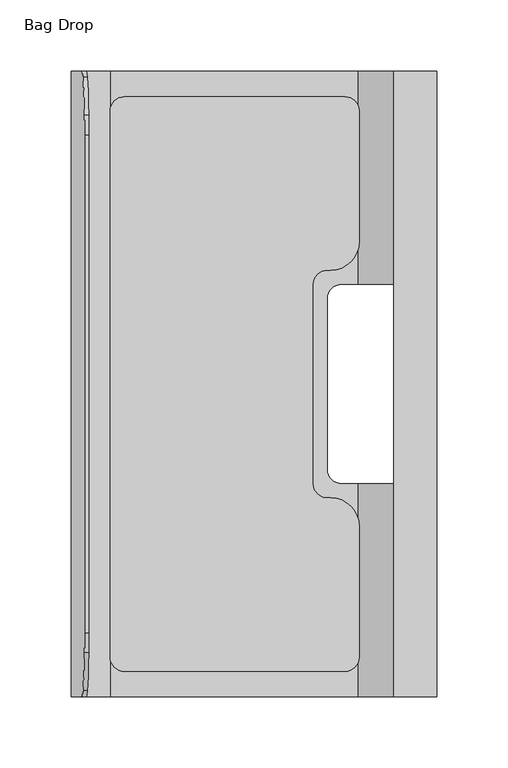
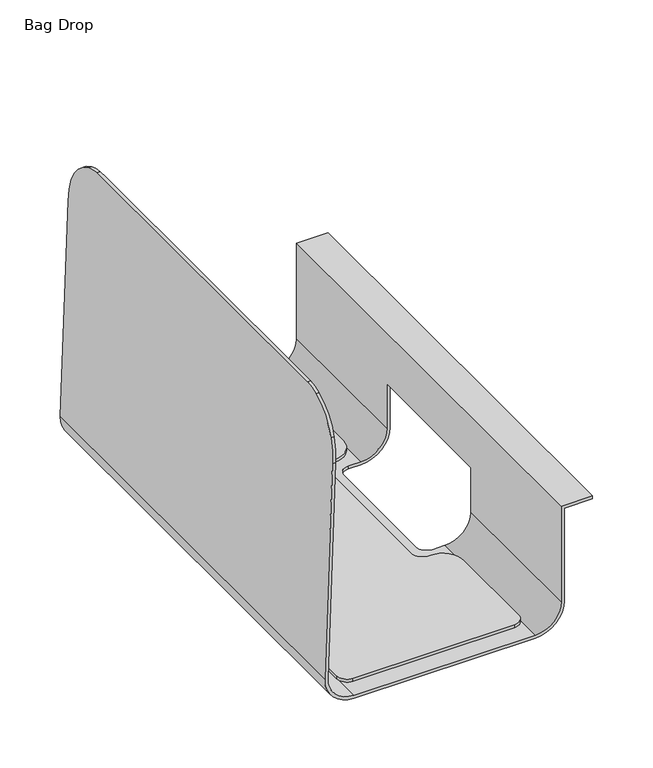
"""IFC4 building model written with IfcOpenShell, lengths in millimetres: furniture geometry, Bag Drop."""

from ifc_helpers import new_model, si_unit, point, frame, frame_2d, origin, place, context, project, spatial, polyline, circle_curve, ellipse_curve, trimmed, segment, composite_curve, outline, extrude, source, transform, mapped, element, save
from ifc_brep_helpers import plane_surface, cylinder_surface, revolved_surface, advanced_brep


def bag_drop_9753e8fa(model_context):
    return source(origin(), model_context, "Body", "SolidModel", [
        extrude(outline(composite_curve([segment(trimmed(circle_curve(frame_2d((-34.5112294, -208.0001236)), 10.0), [point((-34.5112294, -198.0001236))], [point((-24.5112294, -208.0001236))], False, "CARTESIAN"), True, "CONTINUOUS"), segment(polyline([(-24.5112294, -208.0001236), (-24.5112294, -299.9999976)]), True, "CONTINUOUS"), segment(trimmed(circle_curve(frame_2d((-44.5112294, -299.9999976)), 20.0), [point((-24.5112294, -299.9999976))], [point((-44.5112294, -319.9999976))], False, "CARTESIAN"), True, "CONTINUOUS"), segment(polyline([(-44.5112294, -319.9999976), (-47.0, -319.9999976)]), True, "CONTINUOUS"), segment(trimmed(circle_curve(frame_2d((-47.0, -329.9999976)), 10.0), [point((-47.0, -319.9999976))], [point((-57.0, -329.9999976))], True, "CARTESIAN"), True, "CONTINUOUS"), segment(polyline([(-57.0, -329.9999976), (-57.0, -470.0000024)]), True, "CONTINUOUS"), segment(trimmed(circle_curve(frame_2d((-47.0, -470.0000024)), 10.0), [point((-57.0, -470.0000024))], [point((-47.0, -480.0000024))], True, "CARTESIAN"), True, "CONTINUOUS"), segment(polyline([(-47.0, -480.0000024), (-44.5112294, -480.0000024)]), True, "CONTINUOUS"), segment(trimmed(circle_curve(frame_2d((-44.5112294, -500.0000024)), 20.0), [point((-44.5112294, -480.0000024))], [point((-24.5112294, -500.0000024))], False, "CARTESIAN"), True, "CONTINUOUS"), segment(polyline([(-24.5112294, -500.0000024), (-24.5112294, -591.9998764)]), True, "CONTINUOUS"), segment(trimmed(circle_curve(frame_2d((-34.5112294, -591.9998764)), 10.0), [point((-24.5112294, -591.9998764))], [point((-34.5112294, -601.9998764))], False, "CARTESIAN"), True, "CONTINUOUS"), segment(polyline([(-34.5112294, -601.9998764), (-189.5107334, -601.9998764)]), True, "CONTINUOUS"), segment(trimmed(circle_curve(frame_2d((-189.5107334, -591.9998764)), 10.0), [point((-189.5107334, -601.9998764))], [point((-199.5107334, -591.9998764))], False, "CARTESIAN"), True, "CONTINUOUS"), segment(polyline([(-199.5107334, -591.9998764), (-199.5107334, -208.0001236)]), True, "CONTINUOUS"), segment(trimmed(circle_curve(frame_2d((-189.5107334, -208.0001236)), 10.0), [point((-199.5107334, -208.0001236))], [point((-189.5107334, -198.0001236))], False, "CARTESIAN"), True, "CONTINUOUS"), segment(polyline([(-189.5107334, -198.0001236), (-34.5112294, -198.0001236)]), True, "CONTINUOUS")], self_intersect=False)), frame((0.0, 0.0, 593.0), z_axis=(0.0, 0.0, 1.0), x_axis=(1.0, 0.0, 0.0)), (0.0, 0.0, 1.0), 3.0),
        advanced_brep(
        [(-25.0, -180.0001236, 590.0), (3.0, -180.0001236, 618.0), (3.0, -329.9999976, 618.0), (-25.0, -329.9999976, 590.0), (3.0, -620.0001236, 618.0), (-25.0, -620.0001236, 590.0), (-25.0, -470.0000024, 590.0), (3.0, -470.0000024, 618.0), (3.0, -180.0001236, 712.0), (3.0, -620.0001236, 712.0), (3.0, -470.0000024, 663.2435119), (3.0, -329.9999976, 663.2435119), (30.0, -180.0001236, 712.0), (30.0, -620.0001236, 712.0), (30.0, -180.0001236, 715.0), (30.0, -620.0001236, 715.0), (0.0, -180.0001236, 715.0), (0.0, -620.0001236, 715.0), (0.0, -180.0001236, 618.0), (0.0, -329.9999976, 618.0), (0.0, -329.9999976, 663.2435119), (0.0, -470.0000024, 663.2435119), (0.0, -470.0000024, 618.0), (0.0, -620.0001236, 618.0), (-25.0, -180.0001236, 593.0), (-25.0, -329.9999976, 593.0), (-25.0, -620.0001236, 593.0), (-25.0, -470.0000024, 593.0), (-199.0334214, -180.0001236, 593.0), (-199.0334214, -620.0001236, 593.0), (-37.0, -470.0000024, 593.0), (-47.0, -460.0000024, 593.0), (-47.0, -339.9999976, 593.0), (-37.0, -329.9999976, 593.0), (-224.0181938, -180.0001236, 618.8724392), (-224.0181938, -620.0001236, 618.8724392), (-216.4739825, -180.0001236, 834.9223496), (-215.6469506, -184.2134994, 858.6067576), (-214.6745756, -210.9376247, 886.4534759), (-214.5507351, -225.0080568, 890.0), (-214.5507351, -235.0001236, 890.0), (-214.5507351, -564.9998764, 890.0), (-214.5507351, -574.9919432, 890.0), (-214.6745756, -589.0623753, 886.4534759), (-215.6469506, -615.7865006, 858.6067576), (-216.4739825, -619.9998764, 834.9223496), (-217.5525635, -225.0080568, 890.0), (-217.5525635, -235.0001236, 890.0), (-217.5525635, -564.9998764, 890.0), (-217.5525635, -574.9919432, 890.0), (-217.676404, -210.9376247, 886.4534759), (-218.648779, -184.2134994, 858.6067576), (-219.475811, -180.0001236, 834.9223496), (-227.0163665, -180.0001236, 618.9771319), (-227.0163665, -620.0001236, 618.9771319), (-219.475811, -620.0001236, 834.9223496), (-218.648779, -615.7865006, 858.6067576), (-217.676404, -589.0623753, 886.4534759), (-199.0334214, -180.0001236, 590.0), (-199.0334214, -620.0001236, 590.0), (-37.0, -329.9999976, 590.0), (-47.0, -339.9999976, 590.0), (-47.0, -460.0000024, 590.0), (-37.0, -470.0000024, 590.0)],
        [
            (0, 1, circle_curve(frame((-25.0, -180.0001236, 618.0), z_axis=(0.0, -1.0, 0.0), x_axis=(1.0, 0.0, 0.0)), 28.0)),
            (1, 2),
            (2, 3, circle_curve(frame((-25.0, -329.9999976, 618.0), z_axis=(0.0, 1.0, 0.0), x_axis=(1.0, 0.0, 0.0)), 28.0)),
            (3, 0),
            (4, 5, circle_curve(frame((-25.0, -620.0001236, 618.0), z_axis=(0.0, 1.0, 0.0), x_axis=(1.0, 0.0, 0.0)), 28.0)),
            (5, 6),
            (6, 7, circle_curve(frame((-25.0, -470.0000024, 618.0), z_axis=(0.0, -1.0, 0.0), x_axis=(1.0, 0.0, 0.0)), 28.0)),
            (7, 4),
            (8, 9),
            (9, 4),
            (7, 10),
            (10, 11),
            (11, 2),
            (1, 8),
            (8, 12),
            (12, 13),
            (13, 9),
            (12, 14),
            (14, 15),
            (15, 13),
            (14, 16),
            (16, 17),
            (17, 15),
            (16, 18),
            (18, 19),
            (19, 20),
            (20, 21),
            (21, 22),
            (22, 23),
            (23, 17),
            (18, 24, circle_curve(frame((-25.0, -180.0001236, 618.0), z_axis=(0.0, 1.0, 0.0), x_axis=(1.0, 0.0, 0.0)), 25.0)),
            (24, 25),
            (25, 19, circle_curve(frame((-25.0, -329.9999976, 618.0), z_axis=(0.0, -1.0, 0.0), x_axis=(1.0, 0.0, 0.0)), 25.0)),
            (26, 23, circle_curve(frame((-25.0, -620.0001236, 618.0), z_axis=(0.0, -1.0, 0.0), x_axis=(1.0, 0.0, 0.0)), 25.0)),
            (22, 27, circle_curve(frame((-25.0, -470.0000024, 618.0), z_axis=(0.0, 1.0, 0.0), x_axis=(1.0, 0.0, 0.0)), 25.0)),
            (27, 26),
            (28, 29),
            (29, 26),
            (27, 30),
            (30, 31, circle_curve(frame((-37.0, -460.0000024, 593.0), z_axis=(0.0, 0.0, -1.0), x_axis=(1.0, 0.0, 0.0)), 10.0)),
            (31, 32),
            (32, 33, circle_curve(frame((-37.0, -339.9999976, 593.0), z_axis=(0.0, 0.0, -1.0), x_axis=(1.0, 0.0, 0.0)), 10.0)),
            (33, 25),
            (24, 28),
            (28, 34, circle_curve(frame((-199.0334214, -180.0001236, 618.0), z_axis=(0.0, 1.0, 0.0), x_axis=(1.0, 0.0, 0.0)), 25.0)),
            (34, 35),
            (35, 29, circle_curve(frame((-199.0334214, -620.0001236, 618.0), z_axis=(0.0, -1.0, 0.0), x_axis=(1.0, 0.0, 0.0)), 25.0)),
            (34, 36),
            (36, 37, ellipse_curve(frame((-216.4739825, -248.6747149, 834.9223496), z_axis=(0.9993908944306122, 0.0, -0.03489756623578206), x_axis=(-0.03489756623578335, 0.0, -0.9993908944306122)), 68.7164469, 68.6745914)),
            (37, 38, ellipse_curve(frame((-216.2263503, -229.3735607, 842.0140002), z_axis=(0.9993908944306122, 0.0, -0.03489756623578206), x_axis=(-0.03489756623578335, 0.0, -0.9993908944306122)), 48.1411796, 48.1118565)),
            (38, 39, ellipse_curve(frame((-216.2794228, -230.0040902, 840.4941207), z_axis=(0.9993908944306122, 0.0, -0.03489756623578206), x_axis=(-0.03489756623578335, 0.0, -0.9993908944306122)), 49.7876615, 49.7573355)),
            (39, 40),
            (40, 41),
            (41, 42),
            (42, 43, ellipse_curve(frame((-216.2794228, -569.9959098, 840.4941207), z_axis=(0.9993908944306122, 0.0, -0.03489756623578206), x_axis=(-0.03489756623578335, 0.0, -0.9993908944306122)), 49.7876615, 49.7573355)),
            (43, 44, ellipse_curve(frame((-216.2263503, -570.6264393, 842.0140002), z_axis=(0.9993908944306122, 0.0, -0.03489756623578206), x_axis=(-0.03489756623578335, 0.0, -0.9993908944306122)), 48.1411796, 48.1118565)),
            (44, 45, ellipse_curve(frame((-216.4739825, -551.3252851, 834.9223496), z_axis=(0.9993908944306122, 0.0, -0.03489756623578206), x_axis=(-0.03489756623578335, 0.0, -0.9993908944306122)), 68.7164469, 68.6745914)),
            (45, 35),
            (39, 46),
            (46, 47),
            (47, 48),
            (48, 49),
            (49, 42),
            (46, 50, ellipse_curve(frame((-219.2812512, -230.0040902, 840.4941207), z_axis=(-0.9993908944306122, 0.0, 0.03489756623578203), x_axis=(-0.03489756623578338, 0.0, -0.9993908944306121)), 49.7876615, 49.7573355)),
            (50, 51, ellipse_curve(frame((-219.2281788, -229.3735607, 842.0140002), z_axis=(-0.9993908944306122, 0.0, 0.03489756623578203), x_axis=(-0.03489756623578338, 0.0, -0.9993908944306121)), 48.1411796, 48.1118565)),
            (51, 52, ellipse_curve(frame((-219.475811, -248.6747149, 834.9223496), z_axis=(-0.9993908944306122, 0.0, 0.03489756623578203), x_axis=(-0.03489756623578338, 0.0, -0.9993908944306121)), 68.7164469, 68.6745914)),
            (52, 53),
            (53, 54),
            (54, 55),
            (55, 56, ellipse_curve(frame((-219.475811, -551.3252851, 834.9223496), z_axis=(-0.9993908944306122, 0.0, 0.03489756623578203), x_axis=(-0.03489756623578338, 0.0, -0.9993908944306121)), 68.7164469, 68.6745914)),
            (56, 57, ellipse_curve(frame((-219.2281788, -570.6264393, 842.0140002), z_axis=(-0.9993908944306122, 0.0, 0.03489756623578203), x_axis=(-0.03489756623578338, 0.0, -0.9993908944306121)), 48.1411796, 48.1118565)),
            (57, 49, ellipse_curve(frame((-219.2812512, -569.9959098, 840.4941207), z_axis=(-0.9993908944306122, 0.0, 0.03489756623578203), x_axis=(-0.03489756623578338, 0.0, -0.9993908944306121)), 49.7876615, 49.7573355)),
            (53, 58, circle_curve(frame((-199.0334214, -180.0001236, 618.0), z_axis=(0.0, -1.0, 0.0), x_axis=(1.0, 0.0, 0.0)), 28.0)),
            (58, 59),
            (59, 54, circle_curve(frame((-199.0334214, -620.0001236, 618.0), z_axis=(0.0, 1.0, 0.0), x_axis=(1.0, 0.0, 0.0)), 28.0)),
            (58, 0),
            (3, 60),
            (60, 61, circle_curve(frame((-37.0, -339.9999976, 590.0), z_axis=(0.0, 0.0, 1.0), x_axis=(1.0, 0.0, 0.0)), 10.0)),
            (61, 62),
            (62, 63, circle_curve(frame((-37.0, -460.0000024, 590.0), z_axis=(0.0, 0.0, 1.0), x_axis=(1.0, 0.0, 0.0)), 10.0)),
            (63, 6),
            (5, 59),
            (52, 36),
            (45, 55),
            (44, 56),
            (43, 57),
            (38, 50),
            (37, 51),
            (20, 11),
            (10, 21),
            (61, 32),
            (31, 62),
            (63, 30),
            (33, 60),
        ],
        [
            cylinder_surface(frame((-25.0, -170.0001236, 618.0), z_axis=(0.0, -1.0, 0.0), x_axis=(1.0, 0.0, 0.0)), 28.0),
            plane_surface(frame((3.0, -629.9998764, 618.0), z_axis=(1.0, 0.0, 0.0), x_axis=(0.0, 1.0, 0.0))),
            plane_surface(frame((3.0, -629.9998764, 712.0), z_axis=(0.0, 0.0, -1.0), x_axis=(0.0, 1.0, 0.0))),
            plane_surface(frame((30.0, -629.9998764, 712.0), z_axis=(1.0, 0.0, 0.0), x_axis=(0.0, 1.0, 0.0))),
            plane_surface(frame((30.0, -629.9998764, 715.0), z_axis=(0.0, 0.0, 1.0), x_axis=(0.0, 1.0, 0.0))),
            plane_surface(frame((0.0, -629.9998764, 715.0), z_axis=(-1.0, 0.0, 0.0), x_axis=(0.0, 1.0, 0.0))),
            revolved_surface(polyline([(0.0, -180.0001236, 618.0), (0.0, -329.9999976, 618.0)]), (-25.0, -170.0001236, 618.0), (0.0, 1.0, 0.0)),
            revolved_surface(polyline([(0.0, -470.0000024, 618.0), (0.0, -620.0001236, 618.0)]), (-25.0, -170.0001236, 618.0), (0.0, 1.0, 0.0)),
            plane_surface(frame((-25.0, -629.9998764, 593.0), z_axis=(0.0, 0.0, 1.0), x_axis=(0.0, 1.0, 0.0))),
            revolved_surface(polyline([(-174.0334214, -180.0001236, 618.0), (-174.0334214, -620.0001236, 618.0)]), (-199.0334214, -170.0001236, 618.0), (0.0, 1.0, 0.0)),
            plane_surface(frame((-224.0181938, -629.9998764, 618.8724392), z_axis=(0.9993908944306122, 0.0, -0.03489756623578206), x_axis=(0.0, 1.0, 0.0))),
            plane_surface(frame((-214.5507351, -629.9998764, 890.0), z_axis=(0.0, 0.0, 1.0), x_axis=(0.0, 1.0, 0.0))),
            plane_surface(frame((-217.5525635, -629.9998764, 890.0), z_axis=(-0.9993908944306122, 0.0, 0.03489756623578203), x_axis=(0.0, 1.0, 0.0))),
            cylinder_surface(frame((-199.0334214, -170.0001236, 618.0), z_axis=(0.0, -1.0, 0.0), x_axis=(1.0, 0.0, 0.0)), 28.0),
            plane_surface(frame((-199.0334214, -629.9998764, 590.0), z_axis=(0.0, 0.0, -1.0), x_axis=(0.0, 1.0, 0.0))),
            plane_surface(frame((30.0, -180.0001236, 834.9223496), z_axis=(0.0, 1.0, 0.0), x_axis=(-1.0, 0.0, 0.0))),
            plane_surface(frame((30.0, -620.0001236, 580.0), z_axis=(0.0, -1.0, 0.0), x_axis=(-1.0, 0.0, 0.0))),
            cylinder_surface(frame((-252.1771599, -551.3252851, 834.9223496), z_axis=(-1.0, 0.0, 0.0), x_axis=(0.0, 1.0, 0.0)), 68.6745914),
            cylinder_surface(frame((-252.1771599, -570.6264393, 842.0140002), z_axis=(-1.0, 0.0, 0.0), x_axis=(0.0, 1.0, 0.0)), 48.1118565),
            cylinder_surface(frame((-252.1771599, -569.9959098, 840.4941207), z_axis=(-1.0, 0.0, 0.0), x_axis=(0.0, 1.0, 0.0)), 49.7573355),
            cylinder_surface(frame((-252.1771599, -230.0040902, 840.4941207), z_axis=(-1.0, 0.0, 0.0), x_axis=(0.0, 1.0, 0.0)), 49.7573355),
            cylinder_surface(frame((-252.1771599, -229.3735607, 842.0140002), z_axis=(-1.0, 0.0, 0.0), x_axis=(0.0, 1.0, 0.0)), 48.1118565),
            cylinder_surface(frame((-252.1771599, -248.6747149, 834.9223496), z_axis=(-1.0, 0.0, 0.0), x_axis=(0.0, 1.0, 0.0)), 68.6745914),
            plane_surface(frame((-27.0, -339.9999976, 663.2435119), z_axis=(0.0, 0.0, -1.0), x_axis=(0.0, 1.0, 0.0))),
            plane_surface(frame((-47.0, -339.9999976, 663.2435119), z_axis=(1.0, 0.0, 0.0), x_axis=(0.0, 0.0, -1.0))),
            plane_surface(frame((-37.0, -470.0000024, 663.2435119), z_axis=(0.0, 1.0, 0.0), x_axis=(0.0, 0.0, -1.0))),
            plane_surface(frame((30.0, -329.9999976, 663.2435119), z_axis=(0.0, -1.0, 0.0), x_axis=(0.0, 0.0, -1.0))),
            revolved_surface(polyline([(-27.0, -339.9999976, 593.0), (-27.0, -339.9999976, 590.0)]), (-37.0, -339.9999976, 590.0), (0.0, 0.0, 1.0)),
            revolved_surface(polyline([(-27.0, -460.0000024, 593.0), (-27.0, -460.0000024, 590.0)]), (-37.0, -460.0000024, 590.0), (0.0, 0.0, 1.0)),
        ],
        [
            (0, [[1, 2, 3, 4]]),
            (0, [[5, 6, 7, 8]]),
            (1, [[9, 10, -8, 11, 12, 13, -2, 14]]),
            (2, [[-9, 15, 16, 17]]),
            (3, [[-16, 18, 19, 20]]),
            (4, [[-19, 21, 22, 23]]),
            (5, [[-22, 24, 25, 26, 27, 28, 29, 30]]),
            (6, [[31, 32, 33, -25]]),
            (7, [[34, -29, 35, 36]]),
            (8, [[37, 38, -36, 39, 40, 41, 42, 43, -32, 44]]),
            (9, [[-37, 45, 46, 47]]),
            (10, [[-46, 48, 49, 50, 51, 52, 53, 54, 55, 56, 57, 58]]),
            (11, [[-54, -53, -52, 59, 60, 61, 62, 63]]),
            (12, [[-62, -61, -60, 64, 65, 66, 67, 68, 69, 70, 71, 72]]),
            (13, [[-68, 73, 74, 75]]),
            (14, [[-74, 76, -4, 77, 78, 79, 80, 81, -6, 82]]),
            (15, [[83, -48, -45, -44, -31, -24, -21, -18, -15, -14, -1, -76, -73, -67]]),
            (16, [[84, -69, -75, -82, -5, -10, -17, -20, -23, -30, -34, -38, -47, -58]]),
            (17, [[-84, -57, 85, -70]]),
            (18, [[-85, -56, 86, -71]]),
            (19, [[-86, -55, -63, -72]]),
            (20, [[87, -64, -59, -51]]),
            (21, [[-87, -50, 88, -65]]),
            (22, [[-83, -66, -88, -49]]),
            (23, [[89, -12, 90, -27]]),
            (24, [[91, -41, 92, -79]]),
            (25, [[-90, -11, -7, -81, 93, -39, -35, -28]]),
            (26, [[-89, -26, -33, -43, 94, -77, -3, -13]]),
            (27, [[-91, -78, -94, -42]]),
            (28, [[-93, -80, -92, -40]]),
        ],
    ),
    ])


if __name__ == "__main__":
    model = new_model("IFC4")
    model_context = context("Model", 3, world=origin())
    ifc_project = project(units=[si_unit("LENGTHUNIT", "METRE", prefix="MILLI")], contexts=[model_context])
    site = spatial("IfcSite", under=ifc_project)
    building = spatial("IfcBuilding", under=site)
    placement = place(None, origin())
    bag_drop_shape = bag_drop_9753e8fa(model_context)
    element("IfcFurniture", 1, ObjectType="Bag Drop", at=placement, inside=building, context=model_context, shape_type="MappedRepresentation", body=[
        mapped(bag_drop_shape, transform((0.0, 0.0, 0.0), x_axis=(1.0, 0.0, 0.0), y_axis=(0.0, 1.0, 0.0), z_axis=(0.0, 0.0, 1.0))),
    ])
    save(model, "model.ifc")
